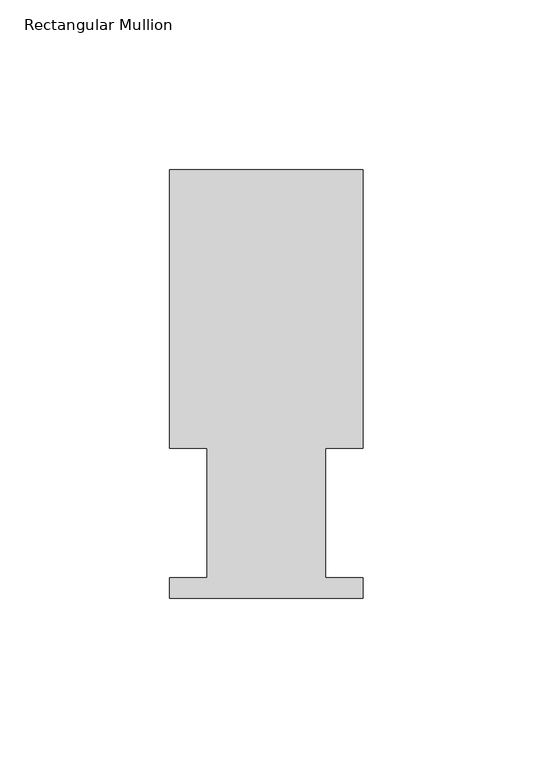
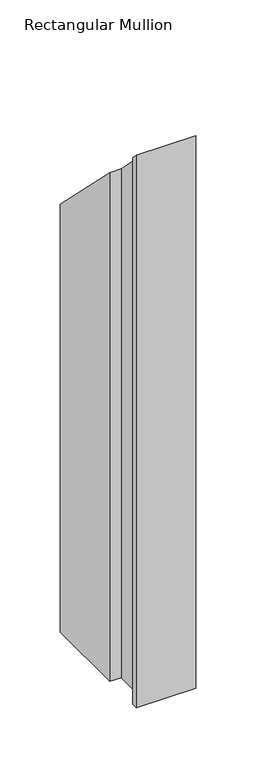
"""IFC4 building model written with IfcOpenShell, lengths in millimetres: member geometry, Rectangular Mullion."""

from ifc_helpers import new_model, si_unit, origin, place, context, project, spatial, faceted_brep, source, transform, mapped, element, save


def rectangular_mullion_33fde00e(model_context):
    return source(origin(), model_context, "Body", "Brep", [
        faceted_brep([(0.0, 126.619, -560.7300284), (0.0, 44.45, -560.7300284), (-11.1120704, 44.45, -560.7300284), (-11.1120704, 6.35, -560.7300284), (0.0, 6.35, -560.7300284), (0.0, 0.2798837, -560.7300284), (-57.15, 0.2798837, -560.7300284), (-57.15, 6.35, -560.7300284), (-46.0370705, 6.35, -560.7300284), (-46.0370705, 44.45, -560.7300284), (-57.15, 44.45, -560.7300284), (-57.15, 126.619, -560.7300284), (-57.15, 126.619, -126.619), (0.0, 126.619, -126.619), (-57.15, 44.45, -44.45), (-46.0370705, 44.45, -44.45), (-46.0370705, 6.35, -6.35), (-57.15, 6.35, -6.35), (-57.15, 0.2798837, -0.2798837), (0.0, 0.2798837, -0.2798837), (0.0, 6.35, -6.35), (-11.1120704, 6.35, -6.35), (-11.1120704, 44.45, -44.45), (0.0, 44.45, -44.45)], [[[0, 1, 2, 3, 4, 5, 6, 7, 8, 9, 10, 11]], [[12, 13, 0, 11]], [[14, 12, 11, 10]], [[15, 14, 10, 9]], [[16, 15, 9, 8]], [[17, 16, 8, 7]], [[18, 17, 7, 6]], [[19, 18, 6, 5]], [[20, 19, 5, 4]], [[21, 20, 4, 3]], [[22, 21, 3, 2]], [[23, 22, 2, 1]], [[13, 23, 1, 0]], [[13, 12, 14, 15, 16, 17, 18, 19, 20, 21, 22, 23]]]),
    ])


if __name__ == "__main__":
    model = new_model("IFC4")
    model_context = context("Model", 3, world=origin())
    ifc_project = project(units=[si_unit("LENGTHUNIT", "METRE", prefix="MILLI")], contexts=[model_context])
    site = spatial("IfcSite", under=ifc_project)
    building = spatial("IfcBuilding", under=site)
    placement = place(None, origin())
    rectangular_mullion_shape = rectangular_mullion_33fde00e(model_context)
    element("IfcMember", 1, ObjectType="Rectangular Mullion", at=placement, inside=building, context=model_context, shape_type="MappedRepresentation", body=[
        mapped(rectangular_mullion_shape, transform((0.0, 0.0, 0.0), x_axis=(1.0, 0.0, 0.0), y_axis=(0.0, 1.0, 0.0), z_axis=(0.0, 0.0, 1.0))),
    ])
    save(model, "model.ifc")
